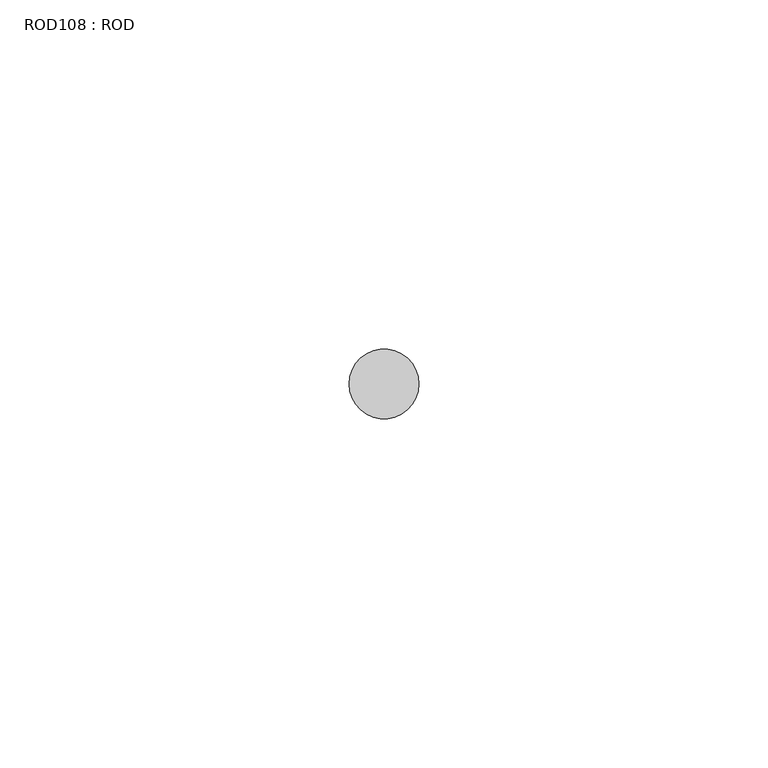
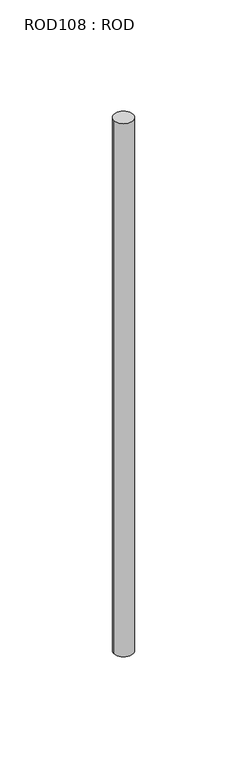
"""IFC4 building model written with IfcOpenShell, lengths in millimetres: proxy geometry, ROD108 : ROD."""

from ifc_helpers import new_model, si_unit, point, frame, frame_2d, origin, place, context, project, spatial, circle_curve, trimmed, segment, composite_curve, outline, extrude, source, transform, mapped, element, save


def rod108_rod_b36c0b1a(model_context):
    return source(origin(), model_context, "Body", "SweptSolid", [
        extrude(outline(composite_curve([segment(trimmed(circle_curve(frame_2d((-4100.2326676, -14542.0031593)), 5.0), [point((-4105.2326676, -14542.0031593))], [point((-4095.2326676, -14542.0031593))], False, "CARTESIAN"), True, "CONTINUOUS"), segment(trimmed(circle_curve(frame_2d((-4100.2326676, -14542.0031593)), 5.0), [point((-4095.2326676, -14542.0031593))], [point((-4105.2326676, -14542.0031593))], False, "CARTESIAN"), True, "CONTINUOUS")], self_intersect=False)), frame((0.0, 0.0, -108.6608845), z_axis=(0.0, 0.0, 1.0), x_axis=(1.0, 0.0, 0.0)), (0.0, 0.0, 1.0), 298.9028972),
    ])


if __name__ == "__main__":
    model = new_model("IFC4")
    model_context = context("Model", 3, world=origin())
    ifc_project = project(units=[si_unit("LENGTHUNIT", "METRE", prefix="MILLI")], contexts=[model_context])
    site = spatial("IfcSite", under=ifc_project)
    building = spatial("IfcBuilding", under=site)
    placement = place(None, origin())
    rod108_rod_shape = rod108_rod_b36c0b1a(model_context)
    element("IfcBuildingElementProxy", 1, Name="ROD108 : ROD", ObjectType="ROD108 : ROD", at=placement, inside=building, context=model_context, shape_type="MappedRepresentation", body=[
        mapped(rod108_rod_shape, transform((0.0, 0.0, 0.0), x_axis=(1.0, 0.0, 0.0), y_axis=(0.0, 1.0, 0.0), z_axis=(0.0, 0.0, 1.0))),
    ])
    save(model, "model.ifc")
